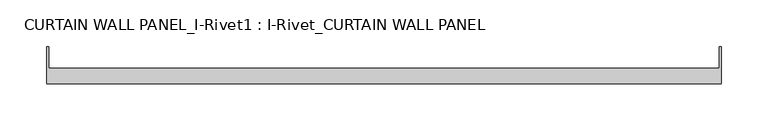
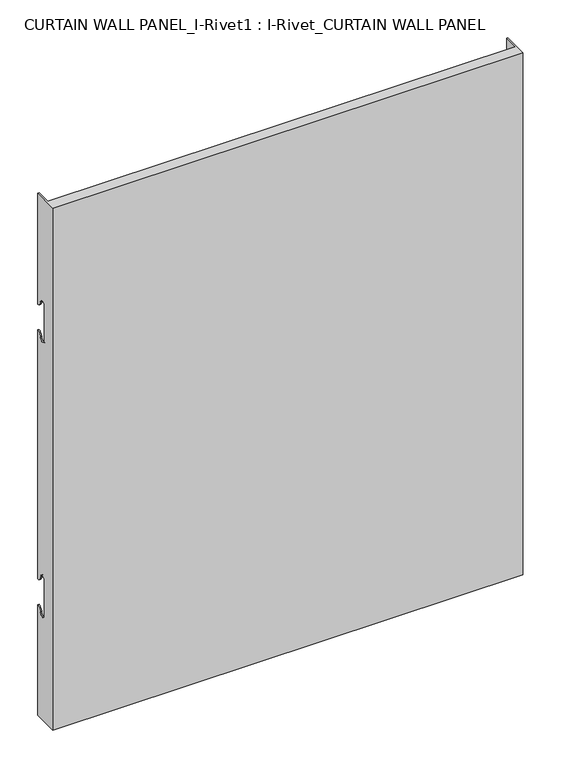
"""IFC4 building model written with IfcOpenShell, lengths in millimetres: plate geometry, CURTAIN WALL PANEL_I-Rivet1 : I-Rivet_CURTAIN WALL PANEL."""

from ifc_helpers import new_model, si_unit, frame, origin, place, context, project, spatial, polyline, circle_curve, source, transform, mapped, element, save
from ifc_brep_helpers import plane_surface, cylinder_surface, revolved_surface, advanced_brep


def curtain_wall_panel_i_rivet1_i_rivet_curtain_wall_panel_ded19167(model_context):
    return source(origin(), model_context, "Body", "AdvancedBrep", [
        advanced_brep(
        [(-360.0, -85.0, 845.0), (360.0, -85.0, 845.0), (360.0, -45.3384103, 845.0), (358.0, -45.3384103, 845.0), (358.0, -68.0, 845.0), (-358.0, -68.0, 845.0), (-358.0, -45.3384103, 845.0), (-360.0, -45.3384103, 845.0), (-360.0, -85.0, 0.0), (-360.0, -45.3384103, 0.0), (-358.0, -45.3384103, 0.0), (-358.0, -68.0, 0.0), (358.0, -68.0, 0.0), (358.0, -45.3384103, 0.0), (360.0, -45.3384103, 0.0), (360.0, -85.0, 0.0), (-360.0, -45.3384103, 666.0), (-360.0, -52.3384103, 673.0), (-360.0, -63.3384103, 673.0), (-360.0, -63.3384103, 617.0), (-360.0, -52.3384103, 617.0), (-360.0, -45.3384103, 624.0), (-360.0, -45.3384103, 221.0), (-360.0, -52.3384103, 228.0), (-360.0, -63.3384103, 228.0), (-360.0, -63.3384103, 172.0), (-360.0, -52.3384103, 172.0), (-360.0, -45.3384103, 179.0), (-358.0, -45.3384103, 179.0), (-358.0, -45.3384103, 624.0), (-358.0, -45.3384103, 221.0), (-358.0, -45.3384103, 666.0), (360.0, -45.3384103, 666.0), (358.0, -45.3384103, 666.0), (358.0, -45.3384103, 179.0), (360.0, -45.3384103, 179.0), (358.0, -45.3384103, 221.0), (358.0, -45.3384103, 624.0), (360.0, -45.3384103, 624.0), (360.0, -45.3384103, 221.0), (360.0, -52.3384103, 172.0), (360.0, -63.3384103, 172.0), (360.0, -63.3384103, 228.0), (360.0, -52.3384103, 228.0), (360.0, -52.3384103, 617.0), (360.0, -63.3384103, 617.0), (360.0, -63.3384103, 673.0), (360.0, -52.3384103, 673.0), (-358.0, -52.3384103, 172.0), (-358.0, -63.3384103, 172.0), (-358.0, -63.3384103, 228.0), (-358.0, -52.3384103, 228.0), (-358.0, -52.3384103, 617.0), (-358.0, -63.3384103, 617.0), (-358.0, -63.3384103, 673.0), (-358.0, -52.3384103, 673.0), (358.0, -52.3384103, 673.0), (358.0, -63.3384103, 673.0), (358.0, -63.3384103, 617.0), (358.0, -52.3384103, 617.0), (358.0, -52.3384103, 228.0), (358.0, -63.3384103, 228.0), (358.0, -63.3384103, 172.0), (358.0, -52.3384103, 172.0)],
        [
            (0, 1),
            (1, 2),
            (2, 3),
            (3, 4),
            (4, 5),
            (5, 6),
            (6, 7),
            (7, 0),
            (8, 9),
            (9, 10),
            (10, 11),
            (11, 12),
            (12, 13),
            (13, 14),
            (14, 15),
            (15, 8),
            (7, 16),
            (16, 17, circle_curve(frame((-360.0, -45.3384103, 673.0), z_axis=(-1.0, 0.0, 0.0), x_axis=(0.0, -1.0, 0.0)), 7.0)),
            (17, 18, circle_curve(frame((-360.0, -57.8384103, 673.0), z_axis=(1.0, 0.0, 0.0), x_axis=(0.0, -1.0, 0.0)), 5.5)),
            (18, 19),
            (19, 20, circle_curve(frame((-360.0, -57.8384103, 617.0), z_axis=(1.0, 0.0, 0.0), x_axis=(0.0, -1.0, 0.0)), 5.5)),
            (20, 21, circle_curve(frame((-360.0, -45.3384103, 617.0), z_axis=(-1.0, 0.0, 0.0), x_axis=(0.0, -1.0, 0.0)), 7.0)),
            (21, 22),
            (22, 23, circle_curve(frame((-360.0, -45.3384103, 228.0), z_axis=(-1.0, 0.0, 0.0), x_axis=(0.0, -1.0, 0.0)), 7.0)),
            (23, 24, circle_curve(frame((-360.0, -57.8384103, 228.0), z_axis=(1.0, 0.0, 0.0), x_axis=(0.0, -1.0, 0.0)), 5.5)),
            (24, 25),
            (25, 26, circle_curve(frame((-360.0, -57.8384103, 172.0), z_axis=(1.0, 0.0, 0.0), x_axis=(0.0, -1.0, 0.0)), 5.5)),
            (26, 27, circle_curve(frame((-360.0, -45.3384103, 172.0), z_axis=(-1.0, 0.0, 0.0), x_axis=(0.0, -1.0, 0.0)), 7.0)),
            (27, 9),
            (8, 0),
            (27, 28),
            (28, 10),
            (21, 29),
            (29, 30),
            (30, 22),
            (6, 31),
            (31, 16),
            (2, 32),
            (32, 33),
            (33, 3),
            (13, 34),
            (34, 35),
            (35, 14),
            (36, 37),
            (37, 38),
            (38, 39),
            (39, 36),
            (1, 15),
            (35, 40, circle_curve(frame((360.0, -45.3384103, 172.0), z_axis=(1.0, 0.0, 0.0), x_axis=(0.0, -1.0, 0.0)), 7.0)),
            (40, 41, circle_curve(frame((360.0, -57.8384103, 172.0), z_axis=(-1.0, 0.0, 0.0), x_axis=(0.0, -1.0, 0.0)), 5.5)),
            (41, 42),
            (42, 43, circle_curve(frame((360.0, -57.8384103, 228.0), z_axis=(-1.0, 0.0, 0.0), x_axis=(0.0, -1.0, 0.0)), 5.5)),
            (43, 39, circle_curve(frame((360.0, -45.3384103, 228.0), z_axis=(1.0, 0.0, 0.0), x_axis=(0.0, -1.0, 0.0)), 7.0)),
            (38, 44, circle_curve(frame((360.0, -45.3384103, 617.0), z_axis=(1.0, 0.0, 0.0), x_axis=(0.0, -1.0, 0.0)), 7.0)),
            (44, 45, circle_curve(frame((360.0, -57.8384103, 617.0), z_axis=(-1.0, 0.0, 0.0), x_axis=(0.0, -1.0, 0.0)), 5.5)),
            (45, 46),
            (46, 47, circle_curve(frame((360.0, -57.8384103, 673.0), z_axis=(-1.0, 0.0, 0.0), x_axis=(0.0, -1.0, 0.0)), 5.5)),
            (47, 32, circle_curve(frame((360.0, -45.3384103, 673.0), z_axis=(1.0, 0.0, 0.0), x_axis=(0.0, -1.0, 0.0)), 7.0)),
            (5, 11),
            (28, 48, circle_curve(frame((-358.0, -45.3384103, 172.0), z_axis=(1.0, 0.0, 0.0), x_axis=(0.0, -1.0, 0.0)), 7.0)),
            (48, 49, circle_curve(frame((-358.0, -57.8384103, 172.0), z_axis=(-1.0, 0.0, 0.0), x_axis=(0.0, -1.0, 0.0)), 5.5)),
            (49, 50),
            (50, 51, circle_curve(frame((-358.0, -57.8384103, 228.0), z_axis=(-1.0, 0.0, 0.0), x_axis=(0.0, -1.0, 0.0)), 5.5)),
            (51, 30, circle_curve(frame((-358.0, -45.3384103, 228.0), z_axis=(1.0, 0.0, 0.0), x_axis=(0.0, -1.0, 0.0)), 7.0)),
            (29, 52, circle_curve(frame((-358.0, -45.3384103, 617.0), z_axis=(1.0, 0.0, 0.0), x_axis=(0.0, -1.0, 0.0)), 7.0)),
            (52, 53, circle_curve(frame((-358.0, -57.8384103, 617.0), z_axis=(-1.0, 0.0, 0.0), x_axis=(0.0, -1.0, 0.0)), 5.5)),
            (53, 54),
            (54, 55, circle_curve(frame((-358.0, -57.8384103, 673.0), z_axis=(-1.0, 0.0, 0.0), x_axis=(0.0, -1.0, 0.0)), 5.5)),
            (55, 31, circle_curve(frame((-358.0, -45.3384103, 673.0), z_axis=(1.0, 0.0, 0.0), x_axis=(0.0, -1.0, 0.0)), 7.0)),
            (33, 56, circle_curve(frame((358.0, -45.3384103, 673.0), z_axis=(-1.0, 0.0, 0.0), x_axis=(0.0, -1.0, 0.0)), 7.0)),
            (56, 57, circle_curve(frame((358.0, -57.8384103, 673.0), z_axis=(1.0, 0.0, 0.0), x_axis=(0.0, -1.0, 0.0)), 5.5)),
            (57, 58),
            (58, 59, circle_curve(frame((358.0, -57.8384103, 617.0), z_axis=(1.0, 0.0, 0.0), x_axis=(0.0, -1.0, 0.0)), 5.5)),
            (59, 37, circle_curve(frame((358.0, -45.3384103, 617.0), z_axis=(-1.0, 0.0, 0.0), x_axis=(0.0, -1.0, 0.0)), 7.0)),
            (36, 60, circle_curve(frame((358.0, -45.3384103, 228.0), z_axis=(-1.0, 0.0, 0.0), x_axis=(0.0, -1.0, 0.0)), 7.0)),
            (60, 61, circle_curve(frame((358.0, -57.8384103, 228.0), z_axis=(1.0, 0.0, 0.0), x_axis=(0.0, -1.0, 0.0)), 5.5)),
            (61, 62),
            (62, 63, circle_curve(frame((358.0, -57.8384103, 172.0), z_axis=(1.0, 0.0, 0.0), x_axis=(0.0, -1.0, 0.0)), 5.5)),
            (63, 34, circle_curve(frame((358.0, -45.3384103, 172.0), z_axis=(-1.0, 0.0, 0.0), x_axis=(0.0, -1.0, 0.0)), 7.0)),
            (12, 4),
            (41, 62),
            (61, 42),
            (49, 25),
            (24, 50),
            (40, 63),
            (48, 26),
            (51, 23),
            (43, 60),
            (18, 54),
            (53, 19),
            (57, 46),
            (45, 58),
            (17, 55),
            (56, 47),
            (59, 44),
            (20, 52),
        ],
        [
            plane_surface(frame((-360.0, -45.3384103, 845.0), z_axis=(0.0, 0.0, 1.0), x_axis=(0.0, 1.0, 0.0))),
            plane_surface(frame((-360.0, -45.3384103, 0.0), z_axis=(0.0, 0.0, -1.0), x_axis=(0.0, -1.0, 0.0))),
            plane_surface(frame((-360.0, -85.0, 845.0), z_axis=(-1.0, 0.0, 0.0), x_axis=(0.0, 0.0, -1.0))),
            plane_surface(frame((-360.0, -45.3384103, 845.0), z_axis=(0.0, 1.0, 0.0), x_axis=(0.0, 0.0, -1.0))),
            plane_surface(frame((358.0, -45.3384103, 845.0), z_axis=(0.0, 1.0, 0.0), x_axis=(0.0, 0.0, -1.0))),
            plane_surface(frame((360.0, -45.3384103, 845.0), z_axis=(1.0, 0.0, 0.0), x_axis=(0.0, 0.0, -1.0))),
            plane_surface(frame((360.0, -85.0, 845.0), z_axis=(0.0, -1.0, 0.0), x_axis=(0.0, 0.0, -1.0))),
            plane_surface(frame((-358.0, -45.3384103, 845.0), z_axis=(1.0, 0.0, 0.0), x_axis=(0.0, 0.0, -1.0))),
            plane_surface(frame((358.0, -68.0, 845.0), z_axis=(-1.0, 0.0, 0.0), x_axis=(0.0, 0.0, -1.0))),
            plane_surface(frame((-359.0, -68.0, 845.0), z_axis=(0.0, 1.0, 0.0), x_axis=(0.0, 0.0, -1.0))),
            plane_surface(frame((-360.0, -63.3384103, 228.0), z_axis=(0.0, 1.0, 0.0), x_axis=(1.0, 0.0, 0.0))),
            revolved_surface(polyline([(358.0, -63.3384103, 172.0), (360.0, -63.3384103, 172.0)]), (-360.0, -57.8384103, 172.0), (-1.0, 0.0, 0.0)),
            revolved_surface(polyline([(-360.0, -63.3384103, 172.0), (-358.0, -63.3384103, 172.0)]), (-360.0, -57.8384103, 172.0), (-1.0, 0.0, 0.0)),
            cylinder_surface(frame((-360.0, -45.3384103, 172.0), z_axis=(1.0, 0.0, 0.0), x_axis=(0.0, -1.0, 0.0)), 7.0),
            cylinder_surface(frame((-360.0, -45.3384103, 228.0), z_axis=(1.0, 0.0, 0.0), x_axis=(0.0, -1.0, 0.0)), 7.0),
            revolved_surface(polyline([(-360.0, -63.3384103, 228.0), (-358.0, -63.3384103, 228.0)]), (-360.0, -57.8384103, 228.0), (-1.0, 0.0, 0.0)),
            revolved_surface(polyline([(358.0, -63.3384103, 228.0), (360.0, -63.3384103, 228.0)]), (-360.0, -57.8384103, 228.0), (-1.0, 0.0, 0.0)),
            plane_surface(frame((360.0, -63.3384103, 617.0), z_axis=(0.0, 1.0, 0.0), x_axis=(-1.0, 0.0, 0.0))),
            revolved_surface(polyline([(-358.0, -63.3384103, 673.0), (-360.0, -63.3384103, 673.0)]), (360.0, -57.8384103, 673.0), (1.0, 0.0, 0.0)),
            revolved_surface(polyline([(360.0, -63.3384103, 673.0), (358.0, -63.3384103, 673.0)]), (360.0, -57.8384103, 673.0), (1.0, 0.0, 0.0)),
            cylinder_surface(frame((360.0, -45.3384103, 673.0), z_axis=(-1.0, 0.0, 0.0), x_axis=(0.0, -1.0, 0.0)), 7.0),
            cylinder_surface(frame((360.0, -45.3384103, 617.0), z_axis=(-1.0, 0.0, 0.0), x_axis=(0.0, -1.0, 0.0)), 7.0),
            revolved_surface(polyline([(360.0, -63.3384103, 617.0), (358.0, -63.3384103, 617.0)]), (360.0, -57.8384103, 617.0), (1.0, 0.0, 0.0)),
            revolved_surface(polyline([(-358.0, -63.3384103, 617.0), (-360.0, -63.3384103, 617.0)]), (360.0, -57.8384103, 617.0), (1.0, 0.0, 0.0)),
        ],
        [
            (0, [[1, 2, 3, 4, 5, 6, 7, 8]]),
            (1, [[9, 10, 11, 12, 13, 14, 15, 16]]),
            (2, [[17, 18, 19, 20, 21, 22, 23, 24, 25, 26, 27, 28, 29, -9, 30, -8]]),
            (3, [[-29, 31, 32, -10]]),
            (3, [[-23, 33, 34, 35]]),
            (3, [[36, 37, -17, -7]]),
            (4, [[38, 39, 40, -3]]),
            (4, [[41, 42, 43, -14]]),
            (4, [[44, 45, 46, 47]]),
            (5, [[48, -15, -43, 49, 50, 51, 52, 53, -46, 54, 55, 56, 57, 58, -38, -2]]),
            (6, [[-30, -16, -48, -1]]),
            (7, [[59, -11, -32, 60, 61, 62, 63, 64, -34, 65, 66, 67, 68, 69, -36, -6]]),
            (8, [[-40, 70, 71, 72, 73, 74, -44, 75, 76, 77, 78, 79, -41, -13, 80, -4]]),
            (9, [[-80, -12, -59, -5]]),
            (10, [[-51, 81, -77, 82]]),
            (10, [[-62, 83, -26, 84]]),
            (11, [[-50, 85, -78, -81]]),
            (12, [[-61, 86, -27, -83]]),
            (13, [[-49, -42, -79, -85]]),
            (13, [[-60, -31, -28, -86]]),
            (14, [[-24, -35, -64, 87]]),
            (14, [[-75, -47, -53, 88]]),
            (15, [[-25, -87, -63, -84]]),
            (16, [[-76, -88, -52, -82]]),
            (17, [[-20, 89, -67, 90]]),
            (17, [[-72, 91, -56, 92]]),
            (18, [[-19, 93, -68, -89]]),
            (19, [[-71, 94, -57, -91]]),
            (20, [[-18, -37, -69, -93]]),
            (20, [[-70, -39, -58, -94]]),
            (21, [[-54, -45, -74, 95]]),
            (21, [[-65, -33, -22, 96]]),
            (22, [[-55, -95, -73, -92]]),
            (23, [[-66, -96, -21, -90]]),
        ],
    ),
    ])


if __name__ == "__main__":
    model = new_model("IFC4")
    model_context = context("Model", 3, world=origin())
    ifc_project = project(units=[si_unit("LENGTHUNIT", "METRE", prefix="MILLI")], contexts=[model_context])
    site = spatial("IfcSite", under=ifc_project)
    building = spatial("IfcBuilding", under=site)
    placement = place(None, origin())
    curtain_wall_panel_i_rivet1_i_rivet_curtain_wall_panel_shape = curtain_wall_panel_i_rivet1_i_rivet_curtain_wall_panel_ded19167(model_context)
    element("IfcPlate", 1, ObjectType="CURTAIN WALL PANEL_I-Rivet1 : I-Rivet_CURTAIN WALL PANEL", at=placement, inside=building, context=model_context, shape_type="MappedRepresentation", body=[
        mapped(curtain_wall_panel_i_rivet1_i_rivet_curtain_wall_panel_shape, transform((0.0, 0.0, 0.0), x_axis=(1.0, 0.0, 0.0), y_axis=(0.0, 1.0, 0.0), z_axis=(0.0, 0.0, 1.0))),
    ])
    save(model, "model.ifc")
